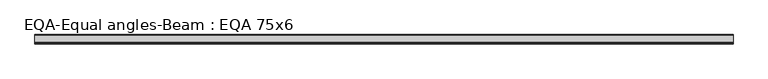
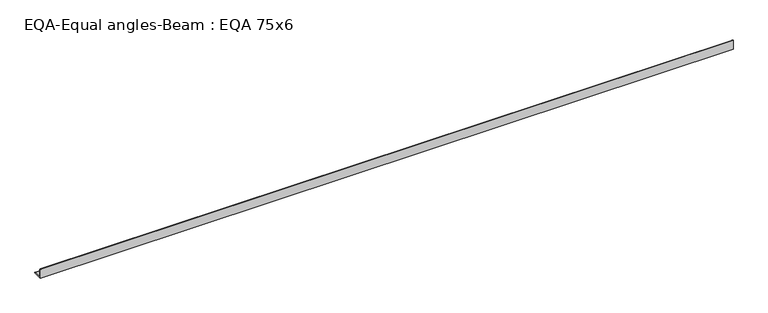
"""IFC4 building model written with IfcOpenShell, lengths in millimetres: beam geometry, EQA-Equal angles-Beam : EQA 75x6."""

from ifc_helpers import new_model, si_unit, point, frame, frame_2d, origin, place, context, project, spatial, polyline, circle_curve, trimmed, segment, composite_curve, outline, extrude, source, transform, mapped, element, save


def eqa_equal_angles_beam_eqa_75x6_a190ee49(model_context):
    return source(origin(), model_context, "Body", "SweptSolid", [
        extrude(outline(composite_curve([segment(polyline([(-20.5, -20.5), (-20.5, 54.5), (-19.0, 54.5)]), True, "CONTINUOUS"), segment(trimmed(circle_curve(frame_2d((-19.0, 50.0)), 4.5), [point((-19.0, 54.5))], [point((-14.5, 50.0))], False, "CARTESIAN"), True, "CONTINUOUS"), segment(polyline([(-14.5, 50.0), (-14.5, -5.5)]), True, "CONTINUOUS"), segment(trimmed(circle_curve(frame_2d((-5.5, -5.5)), 9.0), [point((-14.5, -5.5))], [point((-5.5, -14.5))], True, "CARTESIAN"), True, "CONTINUOUS"), segment(polyline([(-5.5, -14.5), (50.0, -14.5)]), True, "CONTINUOUS"), segment(trimmed(circle_curve(frame_2d((50.0, -19.0)), 4.5), [point((50.0, -14.5))], [point((54.5, -19.0))], False, "CARTESIAN"), True, "CONTINUOUS"), segment(polyline([(54.5, -19.0), (54.5, -20.5), (-20.5, -20.5)]), True, "CONTINUOUS")], self_intersect=False)), frame((-2751.714286, 0.0, 0.0), z_axis=(1.0, 0.0, 0.0), x_axis=(0.0, 1.0, 0.0)), (0.0, 0.0, 1.0), 5555.5742523),
    ])


if __name__ == "__main__":
    model = new_model("IFC4")
    model_context = context("Model", 3, world=origin())
    ifc_project = project(units=[si_unit("LENGTHUNIT", "METRE", prefix="MILLI")], contexts=[model_context])
    site = spatial("IfcSite", under=ifc_project)
    building = spatial("IfcBuilding", under=site)
    placement = place(None, origin())
    eqa_equal_angles_beam_eqa_75x6_shape = eqa_equal_angles_beam_eqa_75x6_a190ee49(model_context)
    element("IfcBeam", 1, ObjectType="EQA-Equal angles-Beam : EQA 75x6", at=placement, inside=building, context=model_context, shape_type="MappedRepresentation", body=[
        mapped(eqa_equal_angles_beam_eqa_75x6_shape, transform((0.0, 0.0, 0.0), x_axis=(1.0, 0.0, 0.0), y_axis=(0.0, 1.0, 0.0), z_axis=(0.0, 0.0, 1.0))),
    ])
    save(model, "model.ifc")
